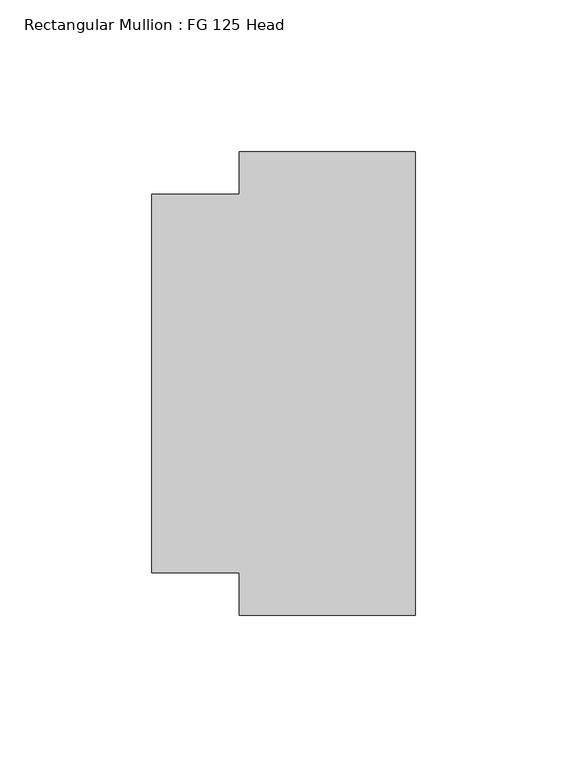
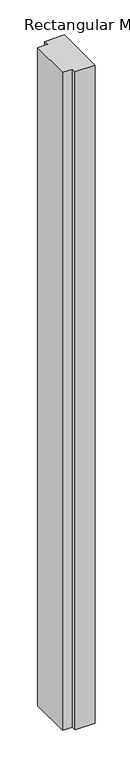
"""IFC4 building model written with IfcOpenShell, lengths in millimetres: member geometry, Rectangular Mullion : FG 125 Head."""

from ifc_helpers import new_model, si_unit, frame, origin, place, context, project, spatial, polyline, outline, extrude, source, transform, mapped, element, save


def rectangular_mullion_fg_125_head_a2cb2510(model_context):
    return source(origin(), model_context, "Body", "SweptSolid", [
        extrude(outline(polyline([(0.0, -76.5), (-58.0, -76.5), (-58.0, -62.4946881), (-87.0, -62.4946881), (-87.0, 62.5054723), (-58.0, 62.5054723), (-58.0, 76.5054723), (0.0, 76.5054723), (0.0, -76.5)])), frame((0.0, 0.0, -2016.666723), z_axis=(0.0, 0.0, 1.0), x_axis=(1.0, 0.0, 0.0)), (0.0, 0.0, 1.0), 2016.666723),
    ])


if __name__ == "__main__":
    model = new_model("IFC4")
    model_context = context("Model", 3, world=origin())
    ifc_project = project(units=[si_unit("LENGTHUNIT", "METRE", prefix="MILLI")], contexts=[model_context])
    site = spatial("IfcSite", under=ifc_project)
    building = spatial("IfcBuilding", under=site)
    placement = place(None, origin())
    rectangular_mullion_fg_125_head_shape = rectangular_mullion_fg_125_head_a2cb2510(model_context)
    element("IfcMember", 1, ObjectType="Rectangular Mullion : FG 125 Head", at=placement, inside=building, context=model_context, shape_type="MappedRepresentation", body=[
        mapped(rectangular_mullion_fg_125_head_shape, transform((0.0, 0.0, 0.0), x_axis=(1.0, 0.0, 0.0), y_axis=(0.0, 1.0, 0.0), z_axis=(0.0, 0.0, 1.0))),
    ])
    save(model, "model.ifc")
